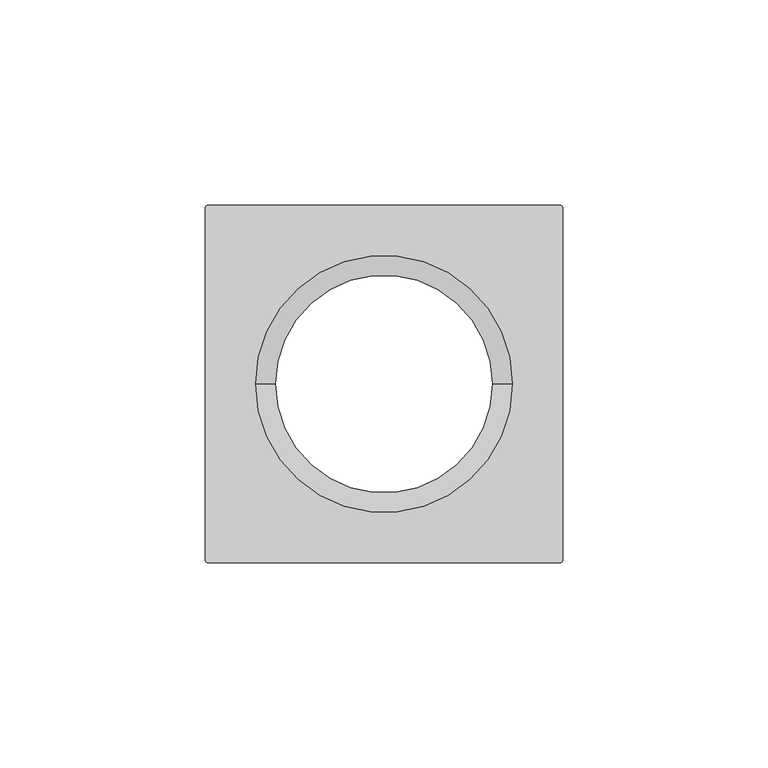
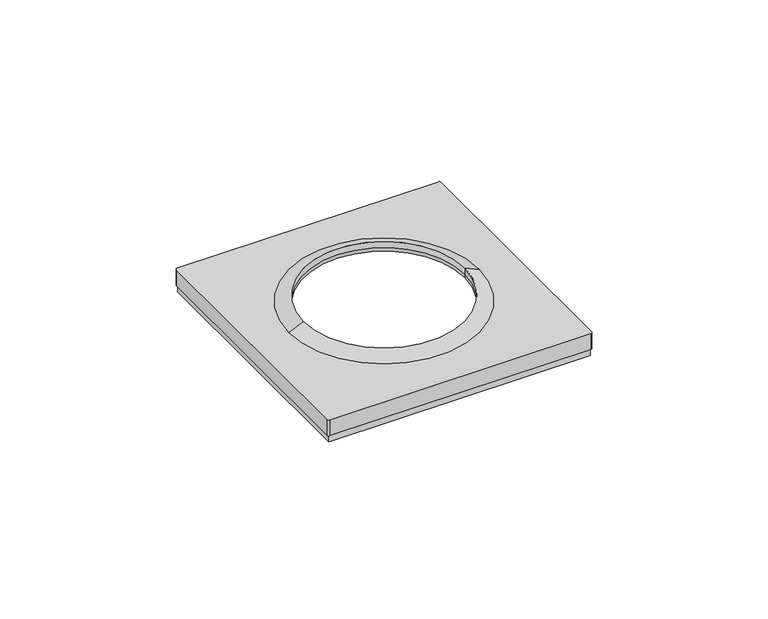
"""IFC4 building model written with IfcOpenShell, lengths in millimetres: proxy geometry."""

from ifc_helpers import new_model, si_unit, frame, origin, origin_with_axes, place, context, project, spatial, polyline, circle_curve, outline, extrude, source, transform, mapped, element, save
from ifc_brep_helpers import plane_surface, cylinder_surface, revolved_surface, advanced_brep


def electrical_fixtures_7c8eb3f6(model_context):
    return source(origin(), model_context, "Body", "SolidModel", [
        advanced_brep(
        [(-43.5, -42.9369707, 8.0076008), (-42.9369707, -43.5, 8.0076008), (42.9369707, -43.5, 8.0076008), (43.5, -42.9369707, 8.0076008), (43.5, 42.9369707, 8.0076008), (42.9369707, 43.5, 8.0076008), (-42.9369707, 43.5, 8.0076008), (-43.5, 42.9369707, 8.0076008), (-31.2841563, 0.0, 8.0076008), (31.2841563, 0.0, 8.0076008), (-43.5, -42.9369707, 2.5), (-43.5, 42.9369707, 2.5), (-42.9369707, 43.5, 2.5), (42.9369707, 43.5, 2.5), (43.5, 42.9369707, 2.5), (43.5, -42.9369707, 2.5), (42.9369707, -43.5, 2.5), (-42.9369707, -43.5, 2.5), (42.5, 42.5, 2.5), (-42.5, 42.5, 2.5), (-42.5, -42.5, 2.5), (42.5, -42.5, 2.5), (-26.5, 0.0, 10.1), (26.5, 0.0, 10.1), (-26.5, 0.0, 8.0076008), (26.5, 0.0, 8.0076008), (-26.5, 0.0, 6.7956384), (26.5, 0.0, 6.7956384), (42.5, 42.5, 6.7956384), (42.5, -42.5, 6.7956384), (-42.5, -42.5, 6.7956384), (-42.5, 42.5, 6.7956384)],
        [
            (0, 1, circle_curve(frame((-42.9369707, -42.9369707, 8.0076008), z_axis=(0.0, 0.0, 1.0), x_axis=(1.0, 0.0, 0.0)), 0.5630293)),
            (1, 2),
            (2, 3, circle_curve(frame((42.9369707, -42.9369707, 8.0076008), z_axis=(0.0, 0.0, 1.0), x_axis=(-1.0, 0.0, 0.0)), 0.5630293)),
            (3, 4),
            (4, 5, circle_curve(frame((42.9369707, 42.9369707, 8.0076008), z_axis=(0.0, 0.0, 1.0), x_axis=(-1.0, 0.0, 0.0)), 0.5630293)),
            (5, 6),
            (6, 7, circle_curve(frame((-42.9369707, 42.9369707, 8.0076008), z_axis=(0.0, 0.0, 1.0), x_axis=(1.0, 0.0, 0.0)), 0.5630293)),
            (7, 0),
            (8, 9, circle_curve(frame((0.0, 0.0, 8.0076008), z_axis=(0.0, 0.0, -1.0), x_axis=(-1.0, 0.0, 0.0)), 31.2841563)),
            (9, 8, circle_curve(frame((0.0, 0.0, 8.0076008), z_axis=(0.0, 0.0, -1.0), x_axis=(-1.0, 0.0, 0.0)), 31.2841563)),
            (10, 11),
            (11, 12, circle_curve(frame((-42.9369707, 42.9369707, 2.5), z_axis=(0.0, 0.0, -1.0), x_axis=(1.0, 0.0, 0.0)), 0.5630293)),
            (12, 13),
            (13, 14, circle_curve(frame((42.9369707, 42.9369707, 2.5), z_axis=(0.0, 0.0, -1.0), x_axis=(-1.0, 0.0, 0.0)), 0.5630293)),
            (14, 15),
            (15, 16, circle_curve(frame((42.9369707, -42.9369707, 2.5), z_axis=(0.0, 0.0, -1.0), x_axis=(-1.0, 0.0, 0.0)), 0.5630293)),
            (16, 17),
            (17, 10, circle_curve(frame((-42.9369707, -42.9369707, 2.5), z_axis=(0.0, 0.0, -1.0), x_axis=(1.0, 0.0, 0.0)), 0.5630293)),
            (18, 19),
            (19, 20),
            (20, 21),
            (21, 18),
            (0, 10),
            (17, 1),
            (16, 2),
            (15, 3),
            (14, 4),
            (13, 5),
            (12, 6),
            (11, 7),
            (8, 22),
            (22, 23, circle_curve(frame((0.0, 0.0, 10.1), z_axis=(0.0, 0.0, -1.0), x_axis=(-1.0, 0.0, 0.0)), 26.5)),
            (23, 9),
            (23, 22, circle_curve(frame((0.0, 0.0, 10.1), z_axis=(0.0, 0.0, -1.0), x_axis=(-1.0, 0.0, 0.0)), 26.5)),
            (22, 24),
            (24, 25, circle_curve(frame((0.0, 0.0, 8.0076008), z_axis=(0.0, 0.0, -1.0), x_axis=(-1.0, 0.0, 0.0)), 26.5)),
            (25, 23),
            (25, 24, circle_curve(frame((0.0, 0.0, 8.0076008), z_axis=(0.0, 0.0, -1.0), x_axis=(-1.0, 0.0, 0.0)), 26.5)),
            (24, 26),
            (26, 27, circle_curve(frame((0.0, 0.0, 6.7956384), z_axis=(0.0, 0.0, -1.0), x_axis=(-1.0, 0.0, 0.0)), 26.5)),
            (27, 25),
            (27, 26, circle_curve(frame((0.0, 0.0, 6.7956384), z_axis=(0.0, 0.0, -1.0), x_axis=(-1.0, 0.0, 0.0)), 26.5)),
            (28, 29),
            (29, 30),
            (30, 31),
            (31, 28),
            (31, 19),
            (18, 28),
            (30, 20),
            (29, 21),
        ],
        [
            plane_surface(frame((-42.3739414, -42.9369707, 8.0076008), z_axis=(0.0, 0.0, 1.0), x_axis=(0.0, 1.0, 0.0))),
            plane_surface(frame((-42.3739414, -42.9369707, 2.5), z_axis=(0.0, 0.0, -1.0), x_axis=(0.0, -1.0, 0.0))),
            cylinder_surface(frame((-42.9369707, -42.9369707, 2.5), z_axis=(0.0, 0.0, 1.0), x_axis=(1.0, 0.0, 0.0)), 0.5630293),
            plane_surface(frame((-42.9369707, -43.5, 8.0076008), z_axis=(0.0, -1.0, 0.0), x_axis=(0.0, 0.0, -1.0))),
            cylinder_surface(frame((42.9369707, -42.9369707, 2.5), z_axis=(0.0, 0.0, 1.0), x_axis=(-1.0, 0.0, 0.0)), 0.5630293),
            plane_surface(frame((43.5, -42.9369707, 8.0076008), z_axis=(1.0, 0.0, 0.0), x_axis=(0.0, 0.0, -1.0))),
            cylinder_surface(frame((42.9369707, 42.9369707, 2.5), z_axis=(0.0, 0.0, 1.0), x_axis=(-1.0, 0.0, 0.0)), 0.5630293),
            plane_surface(frame((42.9369707, 43.5, 8.0076008), z_axis=(0.0, 1.0, 0.0), x_axis=(0.0, 0.0, -1.0))),
            cylinder_surface(frame((-42.9369707, 42.9369707, 2.5), z_axis=(0.0, 0.0, 1.0), x_axis=(1.0, 0.0, 0.0)), 0.5630293),
            plane_surface(frame((-43.5, 42.9369707, 8.0076008), z_axis=(-1.0, 0.0, 0.0), x_axis=(0.0, 0.0, -1.0))),
            revolved_surface(polyline([(-26.5, 0.0, 10.1), (-31.2841563, 0.0, 8.0076008)]), (0.0, 0.0, 2609.0581012), (0.0, 0.0, -1.0)),
            revolved_surface(polyline([(-26.5, 0.0, 8.007600800000091), (-26.5, 0.0, 10.099999999999909)]), (0.0, 0.0, 2609.0581012), (0.0, 0.0, -1.0)),
            revolved_surface(polyline([(-26.5, 0.0, 8.0076008), (-26.5, 0.0, 6.7956384)]), (0.0, 0.0, 0.0), (0.0, 0.0, 1.0)),
            plane_surface(frame((-42.5, 42.5, 6.7956384), z_axis=(0.0, 0.0, -1.0), x_axis=(-1.0, 0.0, 0.0))),
            plane_surface(frame((42.5, 42.5, 6.7956384), z_axis=(0.0, -1.0, 0.0), x_axis=(0.0, 0.0, -1.0))),
            plane_surface(frame((-42.5, 42.5, 6.7956384), z_axis=(1.0, 0.0, 0.0), x_axis=(0.0, 0.0, -1.0))),
            plane_surface(frame((-42.5, -42.5, 6.7956384), z_axis=(0.0, 1.0, 0.0), x_axis=(0.0, 0.0, -1.0))),
            plane_surface(frame((42.5, -42.5, 6.7956384), z_axis=(-1.0, 0.0, 0.0), x_axis=(0.0, 0.0, -1.0))),
        ],
        [
            (0, [[1, 2, 3, 4, 5, 6, 7, 8], [9, 10]]),
            (1, [[11, 12, 13, 14, 15, 16, 17, 18], [19, 20, 21, 22]]),
            (2, [[-1, 23, -18, 24]]),
            (3, [[-2, -24, -17, 25]]),
            (4, [[-3, -25, -16, 26]]),
            (5, [[-4, -26, -15, 27]]),
            (6, [[-5, -27, -14, 28]]),
            (7, [[-6, -28, -13, 29]]),
            (8, [[-7, -29, -12, 30]]),
            (9, [[-8, -30, -11, -23]]),
            (10, [[31, 32, 33, -9]]),
            (10, [[-31, -10, -33, 34]]),
            (11, [[-32, 35, 36, 37]]),
            (11, [[-34, -37, 38, -35]]),
            (12, [[-36, 39, 40, 41]]),
            (12, [[-38, -41, 42, -39]]),
            (13, [[43, 44, 45, 46], [-40, -42]]),
            (14, [[-46, 47, -19, 48]]),
            (15, [[-45, 49, -20, -47]]),
            (16, [[-44, 50, -21, -49]]),
            (17, [[-43, -48, -22, -50]]),
        ],
    ),
        extrude(outline(polyline([(-43.0, -43.0), (-43.0, 43.0), (43.0, 43.0), (43.0, -43.0), (-43.0, -43.0)]), holes=[polyline([(-42.5, -42.5), (42.5, -42.5), (42.5, 42.5), (-42.5, 42.5), (-42.5, -42.5)])]), origin_with_axes(), (0.0, 0.0, 1.0), 2.5),
    ])


if __name__ == "__main__":
    model = new_model("IFC4")
    model_context = context("Model", 3, world=origin())
    ifc_project = project(units=[si_unit("LENGTHUNIT", "METRE", prefix="MILLI")], contexts=[model_context])
    site = spatial("IfcSite", under=ifc_project)
    building = spatial("IfcBuilding", under=site)
    placement = place(None, origin())
    electrical_fixtures_shape = electrical_fixtures_7c8eb3f6(model_context)
    element("IfcBuildingElementProxy", 1, Name="Electrical Fixtures", at=placement, inside=building, context=model_context, shape_type="MappedRepresentation", body=[
        mapped(electrical_fixtures_shape, transform((0.0, 0.0, 0.0), x_axis=(1.0, 0.0, 0.0), y_axis=(0.0, 1.0, 0.0), z_axis=(0.0, 0.0, 1.0))),
    ])
    save(model, "model.ifc")
